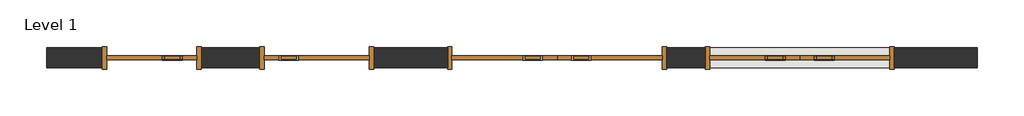
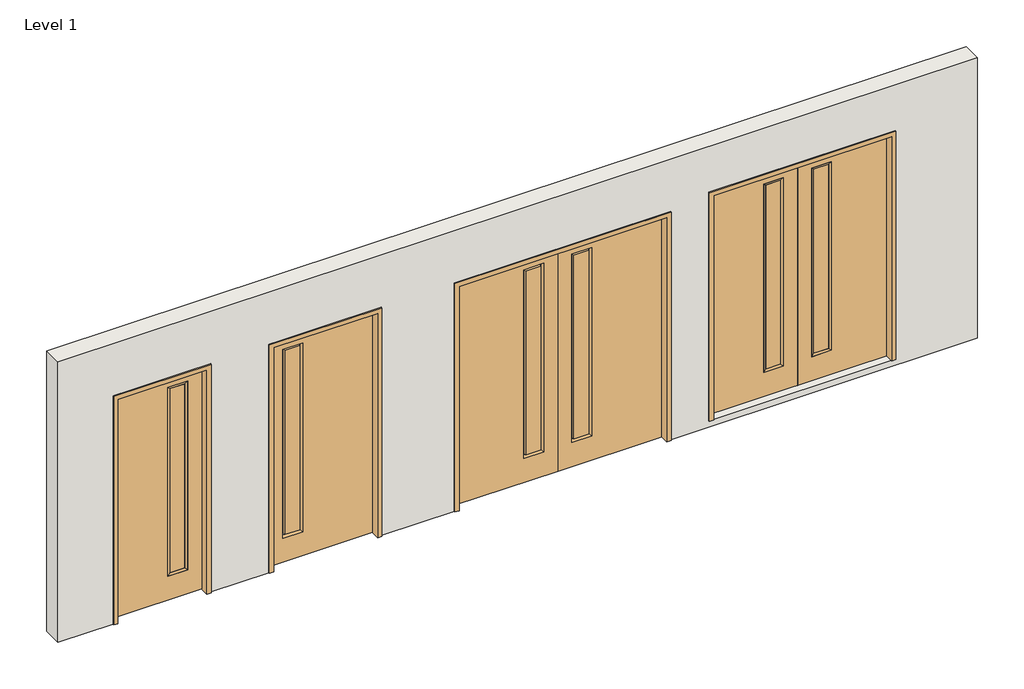
# One storey: 4 doors, 1 wall.
"""IFC4 building model written with IfcOpenShell, lengths in millimetres."""

import ifcopenshell
import ifcopenshell.guid

model = None  # the IFC model being written
_history = None  # IfcOwnerHistory: only IFC2X3 demands one
_inside = {}  # id of a spatial element -> (the spatial element, [elements in it])
_under = {}  # id of a project, library or spatial element -> (it, [spatial elements below it])
_declared = {}  # id of a project -> (the project, [libraries it declares])
_typed = {}  # id of a type object -> (the type object, [elements of that type])
_made_of = {}  # id of a material, layer set ... -> (it, [elements and type objects made of it])


def new_model(schema):
    """Start an empty IFC model of exactly this schema.

    Asked for "IFC4X3", IfcOpenShell would pick the latest addendum, in which some entities
    have other attributes; the version numbers below select the first issue.
    IFC2X3 requires an IfcOwnerHistory on every rooted entity: one is made here for all.
    """
    global model, _history
    if schema == "IFC4X3":
        model = ifcopenshell.file(schema_version=(4, 3, 0, 0))
    else:
        model = ifcopenshell.file(schema=schema)
    _inside.clear()
    _under.clear()
    _declared.clear()
    _typed.clear()
    _made_of.clear()
    _history = None
    if model.schema == "IFC2X3":
        org = make("IfcOrganization", Name="unknown")
        user = make(
            "IfcPersonAndOrganization",
            ThePerson=make("IfcPerson", FamilyName="unknown"),
            TheOrganization=org,
        )
        app = make(
            "IfcApplication",
            ApplicationDeveloper=org,
            Version="unknown",
            ApplicationFullName="unknown",
            ApplicationIdentifier="unknown",
        )
        _history = make(
            "IfcOwnerHistory",
            OwningUser=user,
            OwningApplication=app,
            ChangeAction="ADDED",
            CreationDate=0,
        )
    return model


def make(cls, **values):
    """One entity of the class cls with the attributes given. An attribute that is None is left unset."""
    return model.create_entity(
        cls, **{name: value for name, value in values.items() if value is not None}
    )


def rooted(cls, **values):
    """An entity with a GlobalId (a new one), such as an element, a storey or a relation."""
    return make(cls, GlobalId=ifcopenshell.guid.new(), OwnerHistory=_history, **values)


def si_unit(unit_type, name, prefix=None):
    """IfcSIUnit, for example si_unit("LENGTHUNIT", "METRE", prefix="MILLI")."""
    return make("IfcSIUnit", UnitType=unit_type, Prefix=prefix, Name=name)


def assignment(units):
    """IfcUnitAssignment: the units of a project."""
    return None if units is None else make("IfcUnitAssignment", Units=units)


def point(xyz):
    """IfcCartesianPoint."""
    return None if xyz is None else make("IfcCartesianPoint", Coordinates=xyz)


def direction(xyz):
    """IfcDirection."""
    return None if xyz is None else make("IfcDirection", DirectionRatios=xyz)


def frame(location, z_axis=None, x_axis=None):
    """IfcAxis2Placement3D, a coordinate frame: its origin and axes. An axis left out is left unset."""
    return make(
        "IfcAxis2Placement3D",
        Location=point(location),
        Axis=direction(z_axis),
        RefDirection=direction(x_axis),
    )


def origin():
    """The frame at (0, 0, 0) with its axes left unset."""
    return frame((0.0, 0.0, 0.0))


def place(relative_to, where):
    """IfcLocalPlacement: puts the frame where relative to a parent placement (None: the world)."""
    return make(
        "IfcLocalPlacement", PlacementRelTo=relative_to, RelativePlacement=where
    )


def context(
    kind, dimensions, precision=None, world=None, true_north=None, identifier=None
):
    """IfcGeometricRepresentationContext, for example the 3D "Model" context."""
    return make(
        "IfcGeometricRepresentationContext",
        ContextIdentifier=identifier,
        ContextType=kind,
        CoordinateSpaceDimension=dimensions,
        Precision=precision,
        WorldCoordinateSystem=world,
        TrueNorth=true_north,
    )


def project(units=None, contexts=None):
    """IfcProject with its units and contexts."""
    return rooted(
        "IfcProject",
        Name="project",
        RepresentationContexts=contexts,
        UnitsInContext=assignment(units),
    )


def spatial(cls, under=None, at=None, **own):
    """A site, building, storey or space (cls), placed at a placement, below another one or the project."""
    s = rooted(cls, ObjectPlacement=at, **own)
    if under is not None:
        _under.setdefault(under.id(), (under, []))[1].append(s)
    return s


def polyline(points):
    """IfcPolyline through the points."""
    return make("IfcPolyline", Points=[point(p) for p in points])


def outline(outer, holes=None, kind="AREA"):
    """IfcArbitraryClosedProfileDef: a profile drawn as a closed curve; with holes, ...WithVoids."""
    if holes is None:
        return make("IfcArbitraryClosedProfileDef", ProfileType=kind, OuterCurve=outer)
    return make(
        "IfcArbitraryProfileDefWithVoids",
        ProfileType=kind,
        OuterCurve=outer,
        InnerCurves=holes,
    )


def extrude(swept, where, along, depth):
    """IfcExtrudedAreaSolid: the profile swept, set in the frame where, extruded along a direction by depth."""
    return make(
        "IfcExtrudedAreaSolid",
        SweptArea=swept,
        Position=where,
        ExtrudedDirection=direction(along),
        Depth=depth,
    )


def faces_of(points, faces, orient=None, outer=None):
    """IfcFace entities. A face is a list of loops; a loop is a list of indices into points, from 0.

    orient and outer hold one flag for each loop. By default every Orientation is true, the
    first loop of a face is its IfcFaceOuterBound and the others are IfcFaceBound.
    """
    made = []
    for i, loops in enumerate(faces):
        bounds = []
        for j, loop in enumerate(loops):
            is_outer = j == 0 if outer is None else outer[i][j]
            bounds.append(
                make(
                    "IfcFaceOuterBound" if is_outer else "IfcFaceBound",
                    Bound=make("IfcPolyLoop", Polygon=[points[k] for k in loop]),
                    Orientation=True if orient is None else orient[i][j],
                )
            )
        made.append(make("IfcFace", Bounds=bounds))
    return made


def faceted_brep(points, faces, orient=None, outer=None, voids=None):
    """IfcFacetedBrep: a solid bounded by flat faces; with voids (closed shells), ...WithVoids."""
    shared = [point(p) for p in points]
    hull = make("IfcClosedShell", CfsFaces=faces_of(shared, faces, orient, outer))
    if voids is None:
        return make("IfcFacetedBrep", Outer=hull)
    return make(
        "IfcFacetedBrepWithVoids",
        Outer=hull,
        Voids=[
            make(cls, CfsFaces=faces_of(shared, fs, o, b)) for cls, fs, o, b in voids
        ],
    )


def shape(context_of_items, identifier, shape_type, items):
    """IfcShapeRepresentation: the items that make up one representation, for example the "Body"."""
    return make(
        "IfcShapeRepresentation",
        ContextOfItems=context_of_items,
        RepresentationIdentifier=identifier,
        RepresentationType=shape_type,
        Items=items,
    )


def source(mapping_origin, context_of_items, identifier, shape_type, items):
    """IfcRepresentationMap: a shape defined once, which mapped items show again and again."""
    return make(
        "IfcRepresentationMap",
        MappingOrigin=mapping_origin,
        MappedRepresentation=shape(context_of_items, identifier, shape_type, items),
    )


def transform(
    local_origin,
    x_axis=None,
    y_axis=None,
    z_axis=None,
    scale=None,
    scale2=None,
    scale3=None,
    uniform=True,
):
    """IfcCartesianTransformationOperator3D, or its non-uniform kind. x_axis, y_axis, z_axis: its Axis1, 2, 3."""
    if uniform:
        return make(
            "IfcCartesianTransformationOperator3D",
            Axis1=direction(x_axis),
            Axis2=direction(y_axis),
            LocalOrigin=point(local_origin),
            Scale=scale,
            Axis3=direction(z_axis),
        )
    return make(
        "IfcCartesianTransformationOperator3DnonUniform",
        Axis1=direction(x_axis),
        Axis2=direction(y_axis),
        LocalOrigin=point(local_origin),
        Scale=scale,
        Axis3=direction(z_axis),
        Scale2=scale2,
        Scale3=scale3,
    )


def mapped(mapping_source, mapping_target):
    """IfcMappedItem: shows the shape of a source again, moved by a transform."""
    return make(
        "IfcMappedItem", MappingSource=mapping_source, MappingTarget=mapping_target
    )


def made_of(thing, what):
    """Note that an element or type object is made of a material, layer set ...; save() writes the relation."""
    if what is not None:
        _made_of.setdefault(what.id(), (what, []))[1].append(thing)
    return thing


def element(
    cls,
    number,
    at=None,
    inside=None,
    cuts=None,
    type_object=None,
    material=None,
    context=None,
    identifier="Body",
    shape_type=None,
    held_by="IfcProductDefinitionShape",
    body=None,
    shapes=None,
    **own,
):
    """One element of the class cls, such as IfcWall. Its Tag is "e" and its number.

    at: its placement. inside: the storey or other place that contains it. cuts: it is an
    opening in that element (IfcRelVoidsElement). A single representation is given by context,
    identifier, shape_type and body (its items); several are given by shapes. held_by: the class
    of the entity that holds the representations. save() writes the other relations.
    """
    e = rooted(cls, Tag="e%d" % number, ObjectPlacement=at, **own)
    if body is not None:
        shapes = [shape(context, identifier, shape_type, body)]
    if shapes is not None:
        e.Representation = make(held_by, Representations=shapes)
    if inside is not None:
        _inside.setdefault(inside.id(), (inside, []))[1].append(e)
    if cuts is not None:
        rooted(
            "IfcRelVoidsElement", RelatingBuildingElement=cuts, RelatedOpeningElement=e
        )
    if type_object is not None:
        _typed.setdefault(type_object.id(), (type_object, []))[1].append(e)
    return made_of(e, material)


def aggregate(whole, parts):
    """IfcRelAggregates: a whole, such as a stair, and the parts it consists of."""
    return rooted("IfcRelAggregates", RelatingObject=whole, RelatedObjects=parts)


def save(model, path):
    """Write the relations noted so far, then the file.

    IfcRelAggregates (storeys below a building ...), IfcRelContainedInSpatialStructure (elements
    in a storey), IfcRelDefinesByType, IfcRelAssociatesMaterial and IfcRelDeclares: one each for
    every whole, place, type object, material and project.
    """
    for whole, parts in _under.values():
        aggregate(whole, parts)
    for where, things in _inside.values():
        rooted(
            "IfcRelContainedInSpatialStructure",
            RelatedElements=things,
            RelatingStructure=where,
        )
    for kind, things in _typed.values():
        rooted("IfcRelDefinesByType", RelatedObjects=things, RelatingType=kind)
    for what, things in _made_of.values():
        rooted("IfcRelAssociatesMaterial", RelatedObjects=things, RelatingMaterial=what)
    for by, libraries in _declared.values():
        rooted("IfcRelDeclares", RelatingContext=by, RelatedDefinitions=libraries)
    model.write(path)


def door_91792659(model_context):
    return source(origin(), model_context, "Body", "SolidModel", [
        extrude(outline(polyline([(-323.85, -14.2875), (-323.85, 14.2875), (-171.45, 14.2875), (-171.45, -14.2875), (-323.85, -14.2875)])), frame((0.0, 0.0, 285.75), z_axis=(0.0, 0.0, 1.0), x_axis=(1.0, 0.0, 0.0)), (0.0, 0.0, 1.0), 2000.25),
        faceted_brep([(-349.25, 22.225, 2311.4), (-349.25, 22.225, 260.35), (-349.25, -22.225, 260.35), (-349.25, -22.225, 2311.4), (-146.05, 22.225, 260.35), (-146.05, -22.225, 260.35), (-323.85, 14.2875, 2286.0), (-323.85, 14.2875, 285.75), (-323.85, -14.2875, 2286.0), (-323.85, -14.2875, 285.75), (-171.45, -14.2875, 285.75), (-171.45, 14.2875, 285.75), (-146.05, 22.225, 2311.4), (-146.05, -22.225, 2311.4), (-171.45, -14.2875, 2286.0), (-171.45, 14.2875, 2286.0)], [[[0, 1, 2, 3]], [[1, 4, 5, 2]], [[6, 7, 1, 0]], [[8, 9, 7, 6]], [[9, 10, 11, 7]], [[4, 12, 13, 5]], [[7, 11, 4, 1]], [[10, 14, 15, 11]], [[11, 15, 12, 4]], [[12, 0, 3, 13]], [[15, 6, 0, 12]], [[14, 8, 6, 15]], [[3, 2, 9, 8]], [[2, 5, 10, 9]], [[5, 13, 14, 10]], [[13, 3, 8, 14]]]),
        extrude(outline(polyline([(2438.4, 0.0), (2438.4, -914.4), (0.0, -914.4), (0.0, 0.0), (2438.4, 0.0)]), holes=[polyline([(2311.4, -349.25), (2311.4, -146.05), (260.35, -146.05), (260.35, -349.25), (2311.4, -349.25)])]), frame((0.0, -22.225, 0.0), z_axis=(0.0, 1.0, 0.0), x_axis=(0.0, 0.0, 1.0)), (0.0, 0.0, 1.0), 44.45),
        extrude(outline(polyline([(323.85, -14.2875), (171.45, -14.2875), (171.45, 14.2875), (323.85, 14.2875), (323.85, -14.2875)])), frame((0.0, 0.0, 285.75), z_axis=(0.0, 0.0, 1.0), x_axis=(1.0, 0.0, 0.0)), (0.0, 0.0, 1.0), 2000.25),
        faceted_brep([(349.25, 22.225, 2311.4), (349.25, -22.225, 2311.4), (349.25, -22.225, 260.35), (349.25, 22.225, 260.35), (146.05, -22.225, 260.35), (146.05, 22.225, 260.35), (323.85, 14.2875, 2286.0), (323.85, 14.2875, 285.75), (323.85, -14.2875, 2286.0), (323.85, -14.2875, 285.75), (171.45, 14.2875, 285.75), (171.45, -14.2875, 285.75), (146.05, -22.225, 2311.4), (146.05, 22.225, 2311.4), (171.45, 14.2875, 2286.0), (171.45, -14.2875, 2286.0)], [[[0, 1, 2, 3]], [[3, 2, 4, 5]], [[6, 0, 3, 7]], [[8, 6, 7, 9]], [[9, 7, 10, 11]], [[5, 4, 12, 13]], [[7, 3, 5, 10]], [[11, 10, 14, 15]], [[10, 5, 13, 14]], [[13, 12, 1, 0]], [[14, 13, 0, 6]], [[15, 14, 6, 8]], [[1, 8, 9, 2]], [[2, 9, 11, 4]], [[4, 11, 15, 12]], [[12, 15, 8, 1]]]),
        extrude(outline(polyline([(2438.4, 0.0), (0.0, 0.0), (0.0, 914.4), (2438.4, 914.4), (2438.4, 0.0)]), holes=[polyline([(2311.4, 349.25), (260.35, 349.25), (260.35, 146.05), (2311.4, 146.05), (2311.4, 349.25)])]), frame((0.0, -22.225, 0.0), z_axis=(0.0, 1.0, 0.0), x_axis=(0.0, 0.0, 1.0)), (0.0, 0.0, 1.0), 44.45),
        extrude(outline(polyline([(0.0, 914.4), (0.0, 958.85), (2482.85, 958.85), (2482.85, -958.85), (0.0, -958.85), (0.0, -914.4), (2438.4, -914.4), (2438.4, 914.4), (0.0, 914.4)])), frame((0.0, -114.3, 0.0), z_axis=(0.0, 1.0, 0.0), x_axis=(0.0, 0.0, 1.0)), (0.0, 0.0, 1.0), 228.6),
    ])


def door_dc3e4d89(model_context):
    return source(origin(), model_context, "Body", "SweptSolid", [
        extrude(outline(polyline([(209.55, 12.7039749), (361.95, 12.7039749), (361.95, -14.2875), (209.55, -14.2875), (209.55, 12.7039749)])), frame((0.0, 0.0, 285.75), z_axis=(0.0, 0.0, 1.0), x_axis=(1.0, 0.0, 0.0)), (0.0, 0.0, 1.0), 2000.25),
        extrude(outline(polyline([(2438.4, 533.4), (2438.4, -533.4), (0.0, -533.4), (0.0, 533.4), (2438.4, 533.4)]), holes=[polyline([(2311.4, 184.15), (2311.4, 387.35), (260.35, 387.35), (260.35, 184.15), (2311.4, 184.15)])]), frame((0.0, -22.225, 0.0), z_axis=(0.0, 1.0, 0.0), x_axis=(0.0, 0.0, 1.0)), (0.0, 0.0, 1.0), 44.45),
        extrude(outline(polyline([(0.0, 577.85), (2482.85, 577.85), (2482.85, -577.85), (0.0, -577.85), (0.0, -533.4), (2438.4, -533.4), (2438.4, 533.4), (0.0, 533.4), (0.0, 577.85)])), frame((0.0, -114.3, 0.0), z_axis=(0.0, 1.0, 0.0), x_axis=(0.0, 0.0, 1.0)), (0.0, 0.0, 1.0), 228.6),
    ])


def door_4c6e857c(model_context):
    return source(origin(), model_context, "Body", "SweptSolid", [
        extrude(outline(polyline([(-323.85, -12.7039749), (-323.85, 14.2875), (-171.45, 14.2875), (-171.45, -12.7039749), (-323.85, -12.7039749)])), frame((0.0, 0.0, 285.75), z_axis=(0.0, 0.0, 1.0), x_axis=(1.0, 0.0, 0.0)), (0.0, 0.0, 1.0), 2000.25),
        extrude(outline(polyline([(2438.4, 0.0), (2438.4, -1066.8), (0.0, -1066.8), (0.0, 0.0), (2438.4, 0.0)]), holes=[polyline([(2311.4, -349.25), (2311.4, -146.05), (260.35, -146.05), (260.35, -349.25), (2311.4, -349.25)])]), frame((0.0, -22.225, 0.0), z_axis=(0.0, 1.0, 0.0), x_axis=(0.0, 0.0, 1.0)), (0.0, 0.0, 1.0), 44.45),
        extrude(outline(polyline([(323.85, -12.7039749), (171.45, -12.7039749), (171.45, 14.2875), (323.85, 14.2875), (323.85, -12.7039749)])), frame((0.0, 0.0, 285.75), z_axis=(0.0, 0.0, 1.0), x_axis=(1.0, 0.0, 0.0)), (0.0, 0.0, 1.0), 2000.25),
        extrude(outline(polyline([(2438.4, 0.0), (0.0, 0.0), (0.0, 1066.8), (2438.4, 1066.8), (2438.4, 0.0)]), holes=[polyline([(2311.4, 349.25), (260.35, 349.25), (260.35, 146.05), (2311.4, 146.05), (2311.4, 349.25)])]), frame((0.0, -22.225, 0.0), z_axis=(0.0, 1.0, 0.0), x_axis=(0.0, 0.0, 1.0)), (0.0, 0.0, 1.0), 44.45),
        extrude(outline(polyline([(0.0, 1066.8), (0.0, 1111.25), (2482.85, 1111.25), (2482.85, -1111.25), (0.0, -1111.25), (0.0, -1066.8), (2438.4, -1066.8), (2438.4, 1066.8), (0.0, 1066.8)])), frame((0.0, -114.3, 0.0), z_axis=(0.0, 1.0, 0.0), x_axis=(0.0, 0.0, 1.0)), (0.0, 0.0, 1.0), 228.6),
    ])


def door_d074017b(model_context):
    return source(origin(), model_context, "Body", "SolidModel", [
        extrude(outline(polyline([(-133.35, 14.2875), (-133.35, -14.2875), (-285.75, -14.2875), (-285.75, 14.2875), (-133.35, 14.2875)])), frame((0.0, 0.0, 285.75), z_axis=(0.0, 0.0, 1.0), x_axis=(1.0, 0.0, 0.0)), (0.0, 0.0, 1.0), 2000.25),
        faceted_brep([(-107.95, -22.225, 2311.4), (-107.95, -22.225, 260.35), (-107.95, 22.225, 260.35), (-107.95, 22.225, 2311.4), (-311.15, -22.225, 260.35), (-311.15, 22.225, 260.35), (-133.35, -14.2875, 2286.0), (-133.35, -14.2875, 285.75), (-133.35, 14.2875, 2286.0), (-133.35, 14.2875, 285.75), (-285.75, 14.2875, 285.75), (-285.75, -14.2875, 285.75), (-311.15, -22.225, 2311.4), (-311.15, 22.225, 2311.4), (-285.75, 14.2875, 2286.0), (-285.75, -14.2875, 2286.0)], [[[0, 1, 2, 3]], [[1, 4, 5, 2]], [[6, 7, 1, 0]], [[8, 9, 7, 6]], [[9, 10, 11, 7]], [[4, 12, 13, 5]], [[7, 11, 4, 1]], [[10, 14, 15, 11]], [[11, 15, 12, 4]], [[12, 0, 3, 13]], [[15, 6, 0, 12]], [[14, 8, 6, 15]], [[3, 2, 9, 8]], [[2, 5, 10, 9]], [[5, 13, 14, 10]], [[13, 3, 8, 14]]]),
        extrude(outline(polyline([(2438.4, -457.2), (0.0, -457.2), (0.0, 457.2), (2438.4, 457.2), (2438.4, -457.2)]), holes=[polyline([(2311.4, -107.95), (260.35, -107.95), (260.35, -311.15), (2311.4, -311.15), (2311.4, -107.95)])]), frame((0.0, -22.225, 0.0), z_axis=(0.0, 1.0, 0.0), x_axis=(0.0, 0.0, 1.0)), (0.0, 0.0, 1.0), 44.45),
        extrude(outline(polyline([(0.0, 501.65), (2482.85, 501.65), (2482.85, -501.65), (0.0, -501.65), (0.0, -457.2), (2438.4, -457.2), (2438.4, 457.2), (0.0, 457.2), (0.0, 501.65)])), frame((0.0, -114.3, 0.0), z_axis=(0.0, 1.0, 0.0), x_axis=(0.0, 0.0, 1.0)), (0.0, 0.0, 1.0), 228.6),
    ])


model = new_model("IFC4")

# Units and contexts
model_context = context("Model", 3, world=origin())
ifc_project = project(units=[si_unit("LENGTHUNIT", "METRE", prefix="MILLI")], contexts=[model_context])

# Site, building, storey
site = spatial("IfcSite", under=ifc_project)
building = spatial("IfcBuilding", under=site)
storey = spatial("IfcBuildingStorey", under=building, Name="Level 1", Elevation=0.0)

# Doors
placement = place(None, origin())
door_shape = door_91792659(model_context)
element("IfcDoor", 1, at=placement, inside=storey, context=model_context, shape_type="MappedRepresentation", body=[
    mapped(door_shape, transform((10142.3415019, 882.3443992, 69.85), x_axis=(1.0, 0.0, 0.0), y_axis=(0.0, 1.0, 0.0), z_axis=(0.0, 0.0, 1.0))),
])
door_2_shape = door_dc3e4d89(model_context)
element("IfcDoor", 2, at=placement, inside=storey, context=model_context, shape_type="MappedRepresentation", body=[
    mapped(door_2_shape, transform((5240.1415019, 882.3443992, 0.0), x_axis=(-1.0, 0.0, 0.0), y_axis=(0.0, -1.0, 0.0), z_axis=(0.0, 0.0, 1.0))),
])
door_3_shape = door_4c6e857c(model_context)
element("IfcDoor", 3, at=placement, inside=storey, context=model_context, shape_type="MappedRepresentation", body=[
    mapped(door_3_shape, transform((7678.5415019, 882.3443992, 0.0), x_axis=(1.0, 0.0, 0.0), y_axis=(0.0, 1.0, 0.0), z_axis=(0.0, 0.0, 1.0))),
])
door_4_shape = door_d074017b(model_context)
element("IfcDoor", 4, at=placement, inside=storey, context=model_context, shape_type="MappedRepresentation", body=[
    mapped(door_4_shape, transform((3563.7415019, 882.3443992, 0.0), x_axis=(-1.0, 0.0, 0.0), y_axis=(0.0, -1.0, 0.0), z_axis=(0.0, 0.0, 1.0))),
])

# Wall
element("IfcWall", 5, ObjectType="Generic - 8\"", at=placement, inside=storey, context=model_context, shape_type="SweptSolid", body=[
    extrude(outline(polyline([(0.0, 11945.7415019), (3048.0, 11945.7415019), (3048.0, 2496.9415019), (0.0, 2496.9415019), (0.0, 3062.0915019), (2482.85, 3062.0915019), (2482.85, 4065.3915019), (0.0, 4065.3915019), (0.0, 4662.2915019), (2482.85, 4662.2915019), (2482.85, 5817.9915019), (0.0, 5817.9915019), (0.0, 6567.2915019), (2482.85, 6567.2915019), (2482.85, 8789.7915019), (0.0, 8789.7915019), (0.0, 11945.7415019)]), holes=[polyline([(2552.7, 11101.1915019), (69.85, 11101.1915019), (69.85, 9183.4915019), (2552.7, 9183.4915019), (2552.7, 11101.1915019)])]), frame((0.0, 780.7443992, 0.0), z_axis=(0.0, 1.0, 0.0), x_axis=(0.0, 0.0, 1.0)), (0.0, 0.0, 1.0), 203.2),
])

save(model, "model.ifc")
